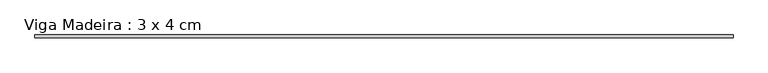
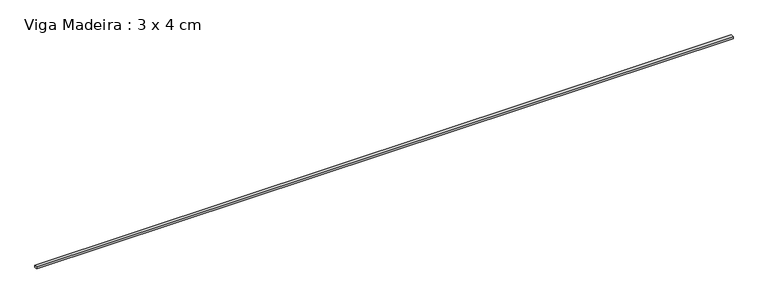
"""IFC4 building model written with IfcOpenShell, lengths in millimetres: beam geometry, Viga Madeira : 3 x 4 cm."""

import ifcopenshell
import ifcopenshell.guid

model = None  # the IFC model being written
_history = None  # IfcOwnerHistory: only IFC2X3 demands one
_inside = {}  # id of a spatial element -> (the spatial element, [elements in it])
_under = {}  # id of a project, library or spatial element -> (it, [spatial elements below it])
_declared = {}  # id of a project -> (the project, [libraries it declares])
_typed = {}  # id of a type object -> (the type object, [elements of that type])
_made_of = {}  # id of a material, layer set ... -> (it, [elements and type objects made of it])


def new_model(schema):
    """Start an empty IFC model of exactly this schema.

    Asked for "IFC4X3", IfcOpenShell would pick the latest addendum, in which some entities
    have other attributes; the version numbers below select the first issue.
    IFC2X3 requires an IfcOwnerHistory on every rooted entity: one is made here for all.
    """
    global model, _history
    if schema == "IFC4X3":
        model = ifcopenshell.file(schema_version=(4, 3, 0, 0))
    else:
        model = ifcopenshell.file(schema=schema)
    _inside.clear()
    _under.clear()
    _declared.clear()
    _typed.clear()
    _made_of.clear()
    _history = None
    if model.schema == "IFC2X3":
        org = make("IfcOrganization", Name="unknown")
        user = make(
            "IfcPersonAndOrganization",
            ThePerson=make("IfcPerson", FamilyName="unknown"),
            TheOrganization=org,
        )
        app = make(
            "IfcApplication",
            ApplicationDeveloper=org,
            Version="unknown",
            ApplicationFullName="unknown",
            ApplicationIdentifier="unknown",
        )
        _history = make(
            "IfcOwnerHistory",
            OwningUser=user,
            OwningApplication=app,
            ChangeAction="ADDED",
            CreationDate=0,
        )
    return model


def make(cls, **values):
    """One entity of the class cls with the attributes given. An attribute that is None is left unset."""
    return model.create_entity(
        cls, **{name: value for name, value in values.items() if value is not None}
    )


def rooted(cls, **values):
    """An entity with a GlobalId (a new one), such as an element, a storey or a relation."""
    return make(cls, GlobalId=ifcopenshell.guid.new(), OwnerHistory=_history, **values)


def si_unit(unit_type, name, prefix=None):
    """IfcSIUnit, for example si_unit("LENGTHUNIT", "METRE", prefix="MILLI")."""
    return make("IfcSIUnit", UnitType=unit_type, Prefix=prefix, Name=name)


def assignment(units):
    """IfcUnitAssignment: the units of a project."""
    return None if units is None else make("IfcUnitAssignment", Units=units)


def point(xyz):
    """IfcCartesianPoint."""
    return None if xyz is None else make("IfcCartesianPoint", Coordinates=xyz)


def direction(xyz):
    """IfcDirection."""
    return None if xyz is None else make("IfcDirection", DirectionRatios=xyz)


def frame(location, z_axis=None, x_axis=None):
    """IfcAxis2Placement3D, a coordinate frame: its origin and axes. An axis left out is left unset."""
    return make(
        "IfcAxis2Placement3D",
        Location=point(location),
        Axis=direction(z_axis),
        RefDirection=direction(x_axis),
    )


def origin():
    """The frame at (0, 0, 0) with its axes left unset."""
    return frame((0.0, 0.0, 0.0))


def place(relative_to, where):
    """IfcLocalPlacement: puts the frame where relative to a parent placement (None: the world)."""
    return make(
        "IfcLocalPlacement", PlacementRelTo=relative_to, RelativePlacement=where
    )


def context(
    kind, dimensions, precision=None, world=None, true_north=None, identifier=None
):
    """IfcGeometricRepresentationContext, for example the 3D "Model" context."""
    return make(
        "IfcGeometricRepresentationContext",
        ContextIdentifier=identifier,
        ContextType=kind,
        CoordinateSpaceDimension=dimensions,
        Precision=precision,
        WorldCoordinateSystem=world,
        TrueNorth=true_north,
    )


def project(units=None, contexts=None):
    """IfcProject with its units and contexts."""
    return rooted(
        "IfcProject",
        Name="project",
        RepresentationContexts=contexts,
        UnitsInContext=assignment(units),
    )


def spatial(cls, under=None, at=None, **own):
    """A site, building, storey or space (cls), placed at a placement, below another one or the project."""
    s = rooted(cls, ObjectPlacement=at, **own)
    if under is not None:
        _under.setdefault(under.id(), (under, []))[1].append(s)
    return s


def polyline(points):
    """IfcPolyline through the points."""
    return make("IfcPolyline", Points=[point(p) for p in points])


def outline(outer, holes=None, kind="AREA"):
    """IfcArbitraryClosedProfileDef: a profile drawn as a closed curve; with holes, ...WithVoids."""
    if holes is None:
        return make("IfcArbitraryClosedProfileDef", ProfileType=kind, OuterCurve=outer)
    return make(
        "IfcArbitraryProfileDefWithVoids",
        ProfileType=kind,
        OuterCurve=outer,
        InnerCurves=holes,
    )


def extrude(swept, where, along, depth):
    """IfcExtrudedAreaSolid: the profile swept, set in the frame where, extruded along a direction by depth."""
    return make(
        "IfcExtrudedAreaSolid",
        SweptArea=swept,
        Position=where,
        ExtrudedDirection=direction(along),
        Depth=depth,
    )


def shape(context_of_items, identifier, shape_type, items):
    """IfcShapeRepresentation: the items that make up one representation, for example the "Body"."""
    return make(
        "IfcShapeRepresentation",
        ContextOfItems=context_of_items,
        RepresentationIdentifier=identifier,
        RepresentationType=shape_type,
        Items=items,
    )


def source(mapping_origin, context_of_items, identifier, shape_type, items):
    """IfcRepresentationMap: a shape defined once, which mapped items show again and again."""
    return make(
        "IfcRepresentationMap",
        MappingOrigin=mapping_origin,
        MappedRepresentation=shape(context_of_items, identifier, shape_type, items),
    )


def transform(
    local_origin,
    x_axis=None,
    y_axis=None,
    z_axis=None,
    scale=None,
    scale2=None,
    scale3=None,
    uniform=True,
):
    """IfcCartesianTransformationOperator3D, or its non-uniform kind. x_axis, y_axis, z_axis: its Axis1, 2, 3."""
    if uniform:
        return make(
            "IfcCartesianTransformationOperator3D",
            Axis1=direction(x_axis),
            Axis2=direction(y_axis),
            LocalOrigin=point(local_origin),
            Scale=scale,
            Axis3=direction(z_axis),
        )
    return make(
        "IfcCartesianTransformationOperator3DnonUniform",
        Axis1=direction(x_axis),
        Axis2=direction(y_axis),
        LocalOrigin=point(local_origin),
        Scale=scale,
        Axis3=direction(z_axis),
        Scale2=scale2,
        Scale3=scale3,
    )


def mapped(mapping_source, mapping_target):
    """IfcMappedItem: shows the shape of a source again, moved by a transform."""
    return make(
        "IfcMappedItem", MappingSource=mapping_source, MappingTarget=mapping_target
    )


def made_of(thing, what):
    """Note that an element or type object is made of a material, layer set ...; save() writes the relation."""
    if what is not None:
        _made_of.setdefault(what.id(), (what, []))[1].append(thing)
    return thing


def element(
    cls,
    number,
    at=None,
    inside=None,
    cuts=None,
    type_object=None,
    material=None,
    context=None,
    identifier="Body",
    shape_type=None,
    held_by="IfcProductDefinitionShape",
    body=None,
    shapes=None,
    **own,
):
    """One element of the class cls, such as IfcWall. Its Tag is "e" and its number.

    at: its placement. inside: the storey or other place that contains it. cuts: it is an
    opening in that element (IfcRelVoidsElement). A single representation is given by context,
    identifier, shape_type and body (its items); several are given by shapes. held_by: the class
    of the entity that holds the representations. save() writes the other relations.
    """
    e = rooted(cls, Tag="e%d" % number, ObjectPlacement=at, **own)
    if body is not None:
        shapes = [shape(context, identifier, shape_type, body)]
    if shapes is not None:
        e.Representation = make(held_by, Representations=shapes)
    if inside is not None:
        _inside.setdefault(inside.id(), (inside, []))[1].append(e)
    if cuts is not None:
        rooted(
            "IfcRelVoidsElement", RelatingBuildingElement=cuts, RelatedOpeningElement=e
        )
    if type_object is not None:
        _typed.setdefault(type_object.id(), (type_object, []))[1].append(e)
    return made_of(e, material)


def aggregate(whole, parts):
    """IfcRelAggregates: a whole, such as a stair, and the parts it consists of."""
    return rooted("IfcRelAggregates", RelatingObject=whole, RelatedObjects=parts)


def save(model, path):
    """Write the relations noted so far, then the file.

    IfcRelAggregates (storeys below a building ...), IfcRelContainedInSpatialStructure (elements
    in a storey), IfcRelDefinesByType, IfcRelAssociatesMaterial and IfcRelDeclares: one each for
    every whole, place, type object, material and project.
    """
    for whole, parts in _under.values():
        aggregate(whole, parts)
    for where, things in _inside.values():
        rooted(
            "IfcRelContainedInSpatialStructure",
            RelatedElements=things,
            RelatingStructure=where,
        )
    for kind, things in _typed.values():
        rooted("IfcRelDefinesByType", RelatedObjects=things, RelatingType=kind)
    for what, things in _made_of.values():
        rooted("IfcRelAssociatesMaterial", RelatedObjects=things, RelatingMaterial=what)
    for by, libraries in _declared.values():
        rooted("IfcRelDeclares", RelatingContext=by, RelatedDefinitions=libraries)
    model.write(path)


def viga_madeira_3_x_4_cm_ff6451ae(model_context):
    return source(origin(), model_context, "Body", "SweptSolid", [
        extrude(outline(polyline([(4724.9999994, 20.0), (4724.9999994, -20.0), (-4724.9999994, -20.0), (-4724.9999994, 20.0), (4724.9999994, 20.0)])), frame((0.0, 0.0, -15.0), z_axis=(0.0, 0.0, 1.0), x_axis=(1.0, 0.0, 0.0)), (0.0, 0.0, 1.0), 30.0),
    ])


if __name__ == "__main__":
    model = new_model("IFC4")
    model_context = context("Model", 3, world=origin())
    ifc_project = project(units=[si_unit("LENGTHUNIT", "METRE", prefix="MILLI")], contexts=[model_context])
    site = spatial("IfcSite", under=ifc_project)
    building = spatial("IfcBuilding", under=site)
    placement = place(None, origin())
    viga_madeira_3_x_4_cm_shape = viga_madeira_3_x_4_cm_ff6451ae(model_context)
    element("IfcBeam", 1, ObjectType="Viga Madeira : 3 x 4 cm", at=placement, inside=building, context=model_context, shape_type="MappedRepresentation", body=[
        mapped(viga_madeira_3_x_4_cm_shape, transform((0.0, 0.0, 0.0), x_axis=(1.0, 0.0, 0.0), y_axis=(0.0, 1.0, 0.0), z_axis=(0.0, 0.0, 1.0))),
    ])
    save(model, "model.ifc")
